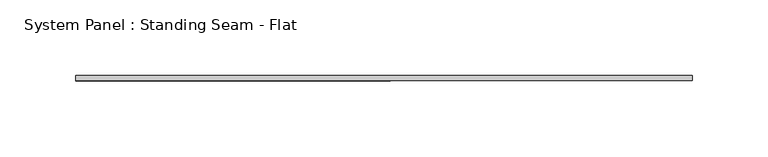
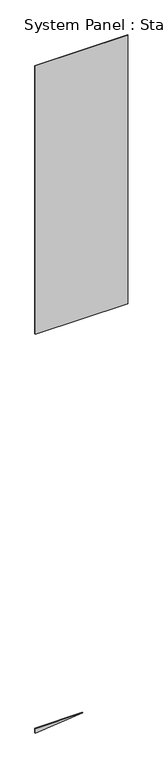
"""IFC4 building model written with IfcOpenShell, lengths in millimetres: plate geometry, System Panel : Standing Seam - Flat."""

from ifc_helpers import new_model, si_unit, frame, origin, place, context, project, spatial, polyline, outline, extrude, source, transform, mapped, element, save


def system_panel_standing_seam_flat_87a4ab21(model_context):
    return source(origin(), model_context, "Body", "SweptSolid", [
        extrude(outline(polyline([(0.0, -203.2), (21.0796147, 4.2406243), (21.0796147, -203.2), (0.0, -203.2)])), frame((0.0, -1.5875, 0.0), z_axis=(0.0, 1.0, 0.0), x_axis=(0.0, 0.0, 1.0)), (0.0, 0.0, 1.0), 3.175),
        extrude(outline(polyline([(203.2, -1.5875), (-203.2, -1.5875), (-203.2, 1.5875), (203.2, 1.5875), (203.2, -1.5875)])), frame((0.0, 0.0, 1849.8796147), z_axis=(0.0, 0.0, 1.0), x_axis=(1.0, 0.0, 0.0)), (0.0, 0.0, 1.0), 1244.6),
    ])


if __name__ == "__main__":
    model = new_model("IFC4")
    model_context = context("Model", 3, world=origin())
    ifc_project = project(units=[si_unit("LENGTHUNIT", "METRE", prefix="MILLI")], contexts=[model_context])
    site = spatial("IfcSite", under=ifc_project)
    building = spatial("IfcBuilding", under=site)
    placement = place(None, origin())
    system_panel_standing_seam_flat_shape = system_panel_standing_seam_flat_87a4ab21(model_context)
    element("IfcPlate", 1, ObjectType="System Panel : Standing Seam - Flat", at=placement, inside=building, context=model_context, shape_type="MappedRepresentation", body=[
        mapped(system_panel_standing_seam_flat_shape, transform((0.0, 0.0, 0.0), x_axis=(1.0, 0.0, 0.0), y_axis=(0.0, 1.0, 0.0), z_axis=(0.0, 0.0, 1.0))),
    ])
    save(model, "model.ifc")
